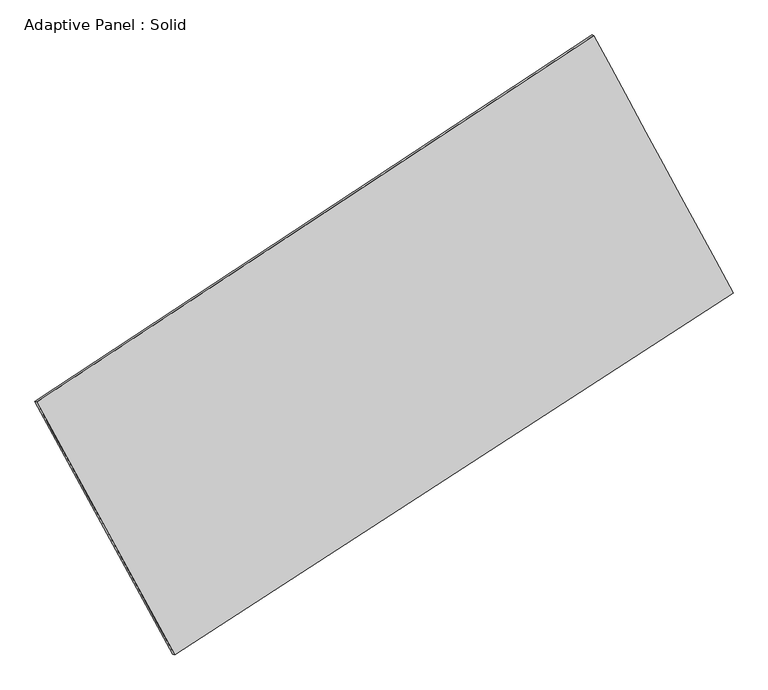
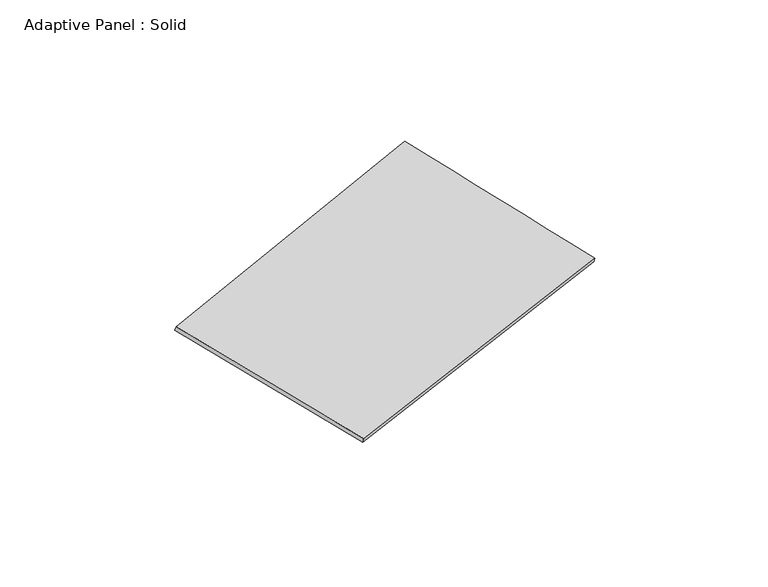
"""IFC4 building model written with IfcOpenShell, lengths in millimetres: plate geometry, Adaptive Panel : Solid."""

from ifc_helpers import new_model, si_unit, frame, origin, place, context, project, spatial, source, transform, mapped, element, save
from ifc_brep_helpers import plane_surface, spline_surface, advanced_brep


def adaptive_panel_solid_b6bff69e(model_context):
    return source(origin(), model_context, "Body", "AdvancedBrep", [
        advanced_brep(
        [(1166.9764545, 2601.7682584, 682.5884058), (-3673.3443231, -585.4216726, 1731.2454047), (-3658.6779672, -591.8017661, 1778.6183128), (1181.6428103, 2595.3881649, 729.9613138), (-2474.645935, -2781.1936969, 1085.2595704), (-2459.9795791, -2787.5737904, 1132.6324784), (2377.7232254, 364.5985384, -13.9708607), (2392.3895812, 358.2184449, 33.4020473)],
        [
            (0, 1),
            (1, 2),
            (2, 3),
            (3, 0),
            (1, 4),
            (4, 5),
            (5, 2),
            (4, 6),
            (6, 7),
            (7, 5),
            (6, 0),
            (3, 7),
        ],
        [
            plane_surface(frame((-1253.1839343, 1008.1732929, 1206.9169052), z_axis=(-0.49001096788295273, 0.8309029263071049, 0.2636087601137369), x_axis=(-0.8218517580406899, -0.5411619949120334, 0.17805443849636507))),
            plane_surface(frame((-3073.995129, -1683.3076848, 1408.2524876), z_axis=(-0.8371252897144855, -0.512920251620935, 0.19008962306647734), x_axis=(0.46394348842813204, -0.8498502566004238, -0.2500219608381024))),
            plane_surface(frame((-48.4613548, -1208.2975793, 535.6443549), z_axis=(0.482511267482807, -0.8358030452970161, -0.26194683854623885), x_axis=(0.8243344505677813, 0.5344162466147605, -0.18674043204755036))),
            plane_surface(frame((1772.3498399, 1483.1833984, 334.3087725), z_axis=(0.8373937406074922, 0.5124263358252542, -0.1902392534260376), x_axis=(-0.45906329315122113, 0.8482388916267355, 0.26410542518661645))),
            spline_surface(1, 1, [[(-3658.6779672, -591.8017661, 1778.6183128), (1181.6428103, 2595.3881649, 729.9613138)], [(-2459.9795791, -2787.5737904, 1132.6324784), (2392.3895812, 358.2184449, 33.4020473)]], [2, 2], [2, 2], [0.0, 1.0], [0.0, 1.0]),
            spline_surface(1, 1, [[(2377.7232254, 364.5985384, -13.9708607), (1166.9764545, 2601.7682584, 682.5884058)], [(-2474.645935, -2781.1936969, 1085.2595704), (-3673.3443231, -585.4216726, 1731.2454047)]], [2, 2], [2, 2], [0.0, 1.0], [0.0, 1.0]),
        ],
        [
            (0, [[1, 2, 3, 4]]),
            (1, [[5, 6, 7, -2]]),
            (2, [[8, 9, 10, -6]]),
            (3, [[11, -4, 12, -9]]),
            (4, [[-3, -7, -10, -12]]),
            (5, [[-11, -8, -5, -1]]),
        ],
    ),
    ])


if __name__ == "__main__":
    model = new_model("IFC4")
    model_context = context("Model", 3, world=origin())
    ifc_project = project(units=[si_unit("LENGTHUNIT", "METRE", prefix="MILLI")], contexts=[model_context])
    site = spatial("IfcSite", under=ifc_project)
    building = spatial("IfcBuilding", under=site)
    placement = place(None, origin())
    adaptive_panel_solid_shape = adaptive_panel_solid_b6bff69e(model_context)
    element("IfcPlate", 1, ObjectType="Adaptive Panel : Solid", at=placement, inside=building, context=model_context, shape_type="MappedRepresentation", body=[
        mapped(adaptive_panel_solid_shape, transform((0.0, 0.0, 0.0), x_axis=(1.0, 0.0, 0.0), y_axis=(0.0, 1.0, 0.0), z_axis=(0.0, 0.0, 1.0))),
    ])
    save(model, "model.ifc")
